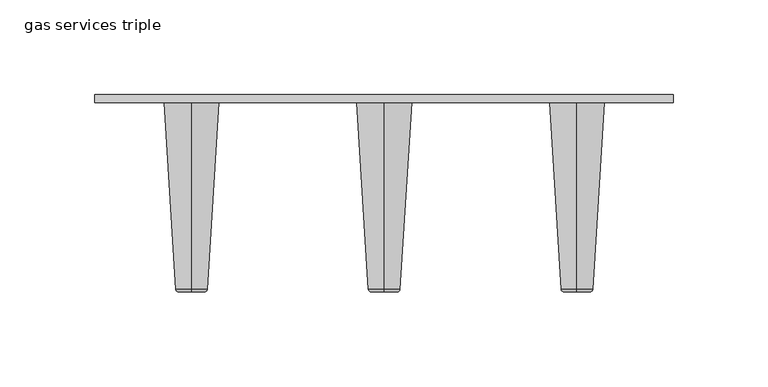
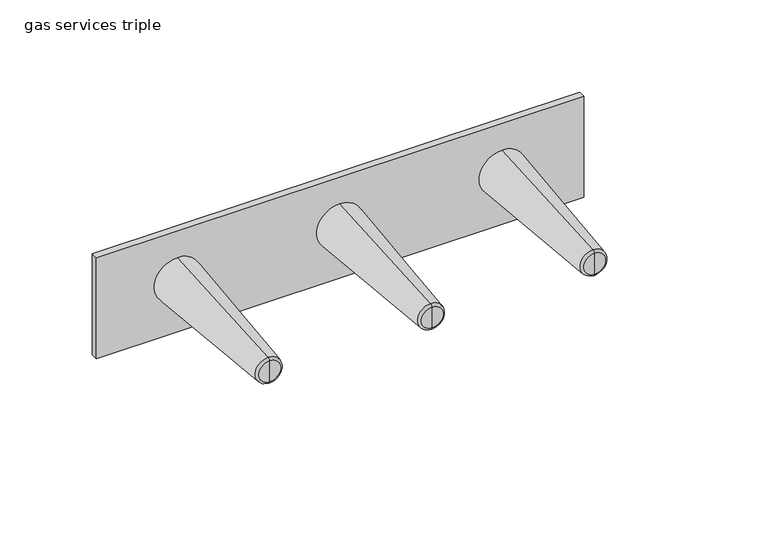
"""IFC4 building model written with IfcOpenShell, lengths in millimetres: flow terminal geometry, gas services triple."""

from ifc_helpers import new_model, si_unit, point, frame, origin, place, context, project, spatial, polyline, circle_curve, ellipse_curve, trimmed, outline, extrude, source, transform, mapped, element, save
from ifc_brep_helpers import plane_surface, revolved_surface, advanced_brep


def gas_services_triple_43e5a6e3(model_context):
    return source(origin(), model_context, "Body", "SolidModel", [
        advanced_brep(
        [(-101.1154362, -38.357528, 1099.8610317), (-101.1154362, -38.357528, 1093.0353454), (-101.1154362, -38.357528, 1086.2096591), (-101.1154362, -36.9331421, 1101.3777753), (-101.1154362, -36.9331421, 1084.6929155), (-101.1154362, 61.6390268, 1107.5746328), (-101.1154362, 61.6390268, 1078.4960579), (-101.1154362, 61.6390268, 1093.0353454)],
        [
            (0, 1),
            (1, 2),
            (2, 0, circle_curve(frame((-101.1154362, -38.357528, 1093.0353454), z_axis=(0.0, -1.0, 0.0), x_axis=(0.0, 0.0, -1.0)), 6.8256863)),
            (0, 2, circle_curve(frame((-101.1154362, -38.357528, 1093.0353454), z_axis=(0.0, -1.0, 0.0), x_axis=(0.0, 0.0, -1.0)), 6.8256863)),
            (3, 0, circle_curve(frame((-101.1154362, -36.8377902, 1099.8610317), z_axis=(1.0, 0.0, 0.0), x_axis=(0.0, 1.0, 0.0)), 1.5197379)),
            (2, 4, circle_curve(frame((-101.1154362, -36.8377902, 1086.2096591), z_axis=(1.0, 0.0, 0.0), x_axis=(0.0, 1.0, 0.0)), 1.5197379)),
            (4, 3, circle_curve(frame((-101.1154362, -36.9331421, 1093.0353454), z_axis=(0.0, -1.0, 0.0), x_axis=(0.0, 0.0, -1.0)), 8.3424299)),
            (3, 4, circle_curve(frame((-101.1154362, -36.9331421, 1093.0353454), z_axis=(0.0, -1.0, 0.0), x_axis=(0.0, 0.0, -1.0)), 8.3424299)),
            (5, 3),
            (4, 6),
            (6, 5, circle_curve(frame((-101.1154362, 61.6390268, 1093.0353454), z_axis=(0.0, -1.0, 0.0), x_axis=(0.0, 0.0, -1.0)), 14.5392874)),
            (5, 6, circle_curve(frame((-101.1154362, 61.6390268, 1093.0353454), z_axis=(0.0, -1.0, 0.0), x_axis=(0.0, 0.0, -1.0)), 14.5392874)),
            (7, 5),
            (6, 7),
        ],
        [
            plane_surface(frame((-101.1154362, -38.357528, 1093.0353454), z_axis=(0.0, -1.0, 0.0), x_axis=(0.0, 0.0, -1.0))),
            revolved_surface(trimmed(ellipse_curve(frame((-101.1154362, -36.8377902, 1086.2096591), z_axis=(1.0, 0.0, 0.0), x_axis=(0.0, 1.0, 0.0)), 1.5197379, 1.5197379), [point((-101.1154362, -38.357528, 1086.2096591))], [point((-101.1154362, -36.9331421, 1084.6929155))], True, "CARTESIAN"), (-101.1154362, 30.0256066, 1093.0353454), (0.0, 1.0, 0.0)),
            revolved_surface(polyline([(-101.1154362, -36.9331421, 1084.6929155), (-101.1154362, 61.6390268, 1078.4960579)]), (-101.1154362, 30.0256066, 1093.0353454), (0.0, 1.0, 0.0)),
            plane_surface(frame((-101.1154362, 61.6390268, 1093.0353454), z_axis=(0.0, 1.0, 0.0), x_axis=(0.0, 0.0, -1.0))),
        ],
        [
            (0, [[1, 2, 3]]),
            (0, [[-2, -1, 4]]),
            (1, [[5, -3, 6, 7]]),
            (1, [[-6, -4, -5, 8]]),
            (2, [[9, -7, 10, 11]]),
            (2, [[-10, -8, -9, 12]]),
            (3, [[13, -11, 14]]),
            (3, [[-14, -12, -13]]),
        ],
    ),
        advanced_brep(
        [(102.0845638, -38.357528, 1099.8610317), (102.0845638, -38.357528, 1093.0353454), (102.0845638, -38.357528, 1086.2096591), (102.0845638, -36.9331421, 1101.3777753), (102.0845638, -36.9331421, 1084.6929155), (102.0845638, 61.6390268, 1107.5746328), (102.0845638, 61.6390268, 1078.4960579), (102.0845638, 61.6390268, 1093.0353454)],
        [
            (0, 1),
            (1, 2),
            (2, 0, circle_curve(frame((102.0845638, -38.357528, 1093.0353454), z_axis=(0.0, -1.0, 0.0), x_axis=(0.0, 0.0, -1.0)), 6.8256863)),
            (0, 2, circle_curve(frame((102.0845638, -38.357528, 1093.0353454), z_axis=(0.0, -1.0, 0.0), x_axis=(0.0, 0.0, -1.0)), 6.8256863)),
            (3, 0, circle_curve(frame((102.0845638, -36.8377902, 1099.8610317), z_axis=(1.0, 0.0, 0.0), x_axis=(0.0, 1.0, 0.0)), 1.5197379)),
            (2, 4, circle_curve(frame((102.0845638, -36.8377902, 1086.2096591), z_axis=(1.0, 0.0, 0.0), x_axis=(0.0, 1.0, 0.0)), 1.5197379)),
            (4, 3, circle_curve(frame((102.0845638, -36.9331421, 1093.0353454), z_axis=(0.0, -1.0, 0.0), x_axis=(0.0, 0.0, -1.0)), 8.3424299)),
            (3, 4, circle_curve(frame((102.0845638, -36.9331421, 1093.0353454), z_axis=(0.0, -1.0, 0.0), x_axis=(0.0, 0.0, -1.0)), 8.3424299)),
            (5, 3),
            (4, 6),
            (6, 5, circle_curve(frame((102.0845638, 61.6390268, 1093.0353454), z_axis=(0.0, -1.0, 0.0), x_axis=(0.0, 0.0, -1.0)), 14.5392874)),
            (5, 6, circle_curve(frame((102.0845638, 61.6390268, 1093.0353454), z_axis=(0.0, -1.0, 0.0), x_axis=(0.0, 0.0, -1.0)), 14.5392874)),
            (7, 5),
            (6, 7),
        ],
        [
            plane_surface(frame((102.0845638, -38.357528, 1093.0353454), z_axis=(0.0, -1.0, 0.0), x_axis=(0.0, 0.0, -1.0))),
            revolved_surface(trimmed(ellipse_curve(frame((102.0845638, -36.8377902, 1086.2096591), z_axis=(1.0, 0.0, 0.0), x_axis=(0.0, 1.0, 0.0)), 1.5197379, 1.5197379), [point((102.0845638, -38.357528, 1086.2096591))], [point((102.0845638, -36.9331421, 1084.6929155))], True, "CARTESIAN"), (102.0845638, 30.0256066, 1093.0353454), (0.0, 1.0, 0.0)),
            revolved_surface(polyline([(102.0845638, -36.9331421, 1084.6929155), (102.0845638, 61.6390268, 1078.4960579)]), (102.0845638, 30.0256066, 1093.0353454), (0.0, 1.0, 0.0)),
            plane_surface(frame((102.0845638, 61.6390268, 1093.0353454), z_axis=(0.0, 1.0, 0.0), x_axis=(0.0, 0.0, -1.0))),
        ],
        [
            (0, [[1, 2, 3]]),
            (0, [[-2, -1, 4]]),
            (1, [[5, -3, 6, 7]]),
            (1, [[-6, -4, -5, 8]]),
            (2, [[9, -7, 10, 11]]),
            (2, [[-10, -8, -9, 12]]),
            (3, [[13, -11, 14]]),
            (3, [[-14, -12, -13]]),
        ],
    ),
        advanced_brep(
        [(0.4845638, -38.357528, 1099.8610317), (0.4845638, -38.357528, 1093.0353454), (0.4845638, -38.357528, 1086.2096591), (0.4845638, -36.9331421, 1101.3777753), (0.4845638, -36.9331421, 1084.6929155), (0.4845638, 61.6390268, 1107.5746328), (0.4845638, 61.6390268, 1078.4960579), (0.4845638, 61.6390268, 1093.0353454)],
        [
            (0, 1),
            (1, 2),
            (2, 0, circle_curve(frame((0.4845638, -38.357528, 1093.0353454), z_axis=(0.0, -1.0, 0.0), x_axis=(0.0, 0.0, -1.0)), 6.8256863)),
            (0, 2, circle_curve(frame((0.4845638, -38.357528, 1093.0353454), z_axis=(0.0, -1.0, 0.0), x_axis=(0.0, 0.0, -1.0)), 6.8256863)),
            (3, 0, circle_curve(frame((0.4845638, -36.8377902, 1099.8610317), z_axis=(1.0, 0.0, 0.0), x_axis=(0.0, 1.0, 0.0)), 1.5197379)),
            (2, 4, circle_curve(frame((0.4845638, -36.8377902, 1086.2096591), z_axis=(1.0, 0.0, 0.0), x_axis=(0.0, 1.0, 0.0)), 1.5197379)),
            (4, 3, circle_curve(frame((0.4845638, -36.9331421, 1093.0353454), z_axis=(0.0, -1.0, 0.0), x_axis=(0.0, 0.0, -1.0)), 8.3424299)),
            (3, 4, circle_curve(frame((0.4845638, -36.9331421, 1093.0353454), z_axis=(0.0, -1.0, 0.0), x_axis=(0.0, 0.0, -1.0)), 8.3424299)),
            (5, 3),
            (4, 6),
            (6, 5, circle_curve(frame((0.4845638, 61.6390268, 1093.0353454), z_axis=(0.0, -1.0, 0.0), x_axis=(0.0, 0.0, -1.0)), 14.5392874)),
            (5, 6, circle_curve(frame((0.4845638, 61.6390268, 1093.0353454), z_axis=(0.0, -1.0, 0.0), x_axis=(0.0, 0.0, -1.0)), 14.5392874)),
            (7, 5),
            (6, 7),
        ],
        [
            plane_surface(frame((0.4845638, -38.357528, 1093.0353454), z_axis=(0.0, -1.0, 0.0), x_axis=(0.0, 0.0, -1.0))),
            revolved_surface(trimmed(ellipse_curve(frame((0.4845638, -36.8377902, 1086.2096591), z_axis=(1.0, 0.0, 0.0), x_axis=(0.0, 1.0, 0.0)), 1.5197379, 1.5197379), [point((0.4845638, -38.357528, 1086.2096591))], [point((0.4845638, -36.9331421, 1084.6929155))], True, "CARTESIAN"), (0.4845638, 30.0256066, 1093.0353454), (0.0, 1.0, 0.0)),
            revolved_surface(polyline([(0.4845638, -36.9331421, 1084.6929155), (0.4845638, 61.6390268, 1078.4960579)]), (0.4845638, 30.0256066, 1093.0353454), (0.0, 1.0, 0.0)),
            plane_surface(frame((0.4845638, 61.6390268, 1093.0353454), z_axis=(0.0, 1.0, 0.0), x_axis=(0.0, 0.0, -1.0))),
        ],
        [
            (0, [[1, 2, 3]]),
            (0, [[-2, -1, 4]]),
            (1, [[5, -3, 6, 7]]),
            (1, [[-6, -4, -5, 8]]),
            (2, [[9, -7, 10, 11]]),
            (2, [[-10, -8, -9, 12]]),
            (3, [[13, -11, 14]]),
            (3, [[-14, -12, -13]]),
        ],
    ),
        extrude(outline(polyline([(-152.0728136, 65.6942794), (152.7960827, 65.6942794), (152.7960827, 61.5339373), (-152.0728136, 61.5339373), (-152.0728136, 65.6942794)])), frame((0.0, 0.0, 1058.5936426), z_axis=(0.0, 0.0, 1.0), x_axis=(1.0, 0.0, 0.0)), (0.0, 0.0, 1.0), 66.9438574),
    ])


if __name__ == "__main__":
    model = new_model("IFC4")
    model_context = context("Model", 3, world=origin())
    ifc_project = project(units=[si_unit("LENGTHUNIT", "METRE", prefix="MILLI")], contexts=[model_context])
    site = spatial("IfcSite", under=ifc_project)
    building = spatial("IfcBuilding", under=site)
    placement = place(None, origin())
    gas_services_triple_shape = gas_services_triple_43e5a6e3(model_context)
    element("IfcFlowTerminal", 1, ObjectType="gas services triple", at=placement, inside=building, context=model_context, shape_type="MappedRepresentation", body=[
        mapped(gas_services_triple_shape, transform((0.0, 0.0, 0.0), x_axis=(1.0, 0.0, 0.0), y_axis=(0.0, 1.0, 0.0), z_axis=(0.0, 0.0, 1.0))),
    ])
    save(model, "model.ifc")
